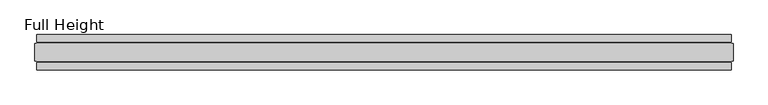
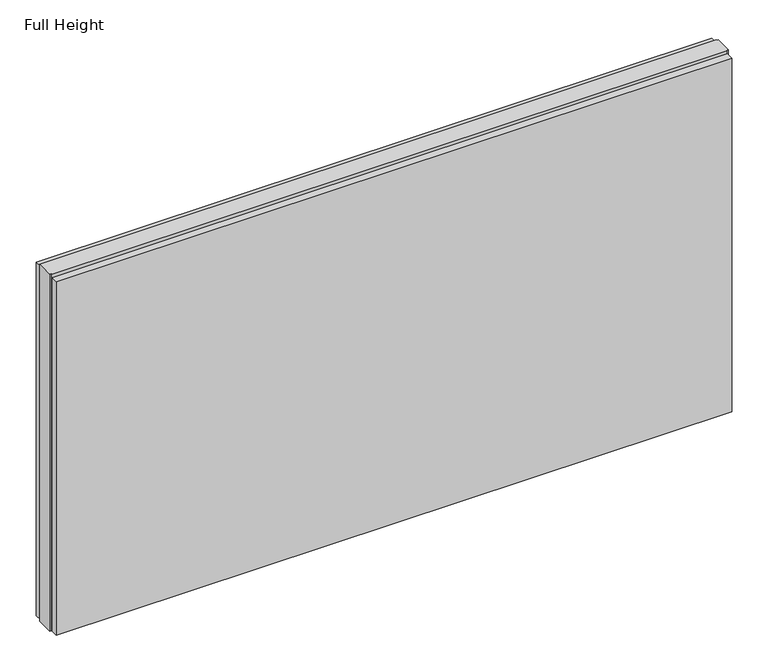
"""IFC4 building model written with IfcOpenShell, lengths in millimetres: plate geometry, Full Height."""

from ifc_helpers import new_model, si_unit, origin, origin_with_axes, place, context, project, spatial, polyline, outline, extrude, source, transform, mapped, element, save


def full_height_1ebfd751(model_context):
    return source(origin(), model_context, "Body", "SweptSolid", [
        extrude(outline(polyline([(977.5613333, 28.956), (-977.5613333, 28.956), (-977.5613333, 49.53), (977.5613333, 49.53), (977.5613333, 28.956)])), origin_with_axes(), (0.0, 0.0, 1.0), 1083.056),
        extrude(outline(polyline([(977.5613333, -28.956), (977.5613333, -49.53), (-977.5613333, -49.53), (-977.5613333, -28.956), (977.5613333, -28.956)])), origin_with_axes(), (0.0, 0.0, 1.0), 1083.056),
        extrude(outline(polyline([(977.5613333, -25.146), (977.5613333, -26.67), (-977.5613333, -26.67), (-977.5613333, -25.146), (-982.1333333, -25.146), (-982.1333333, 25.146), (-977.5613333, 25.146), (-977.5613333, 26.67), (977.5613333, 26.67), (977.5613333, 25.146), (982.1333333, 25.146), (982.1333333, -25.146), (977.5613333, -25.146)])), origin_with_axes(), (0.0, 0.0, 1.0), 1092.2),
    ])


if __name__ == "__main__":
    model = new_model("IFC4")
    model_context = context("Model", 3, world=origin())
    ifc_project = project(units=[si_unit("LENGTHUNIT", "METRE", prefix="MILLI")], contexts=[model_context])
    site = spatial("IfcSite", under=ifc_project)
    building = spatial("IfcBuilding", under=site)
    placement = place(None, origin())
    full_height_shape = full_height_1ebfd751(model_context)
    element("IfcPlate", 1, ObjectType="Full Height", at=placement, inside=building, context=model_context, shape_type="MappedRepresentation", body=[
        mapped(full_height_shape, transform((0.0, 0.0, 0.0), x_axis=(1.0, 0.0, 0.0), y_axis=(0.0, 1.0, 0.0), z_axis=(0.0, 0.0, 1.0))),
    ])
    save(model, "model.ifc")
